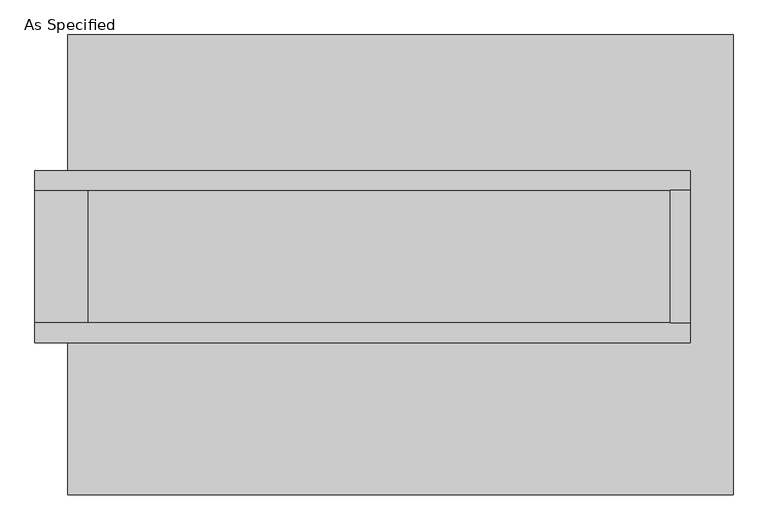
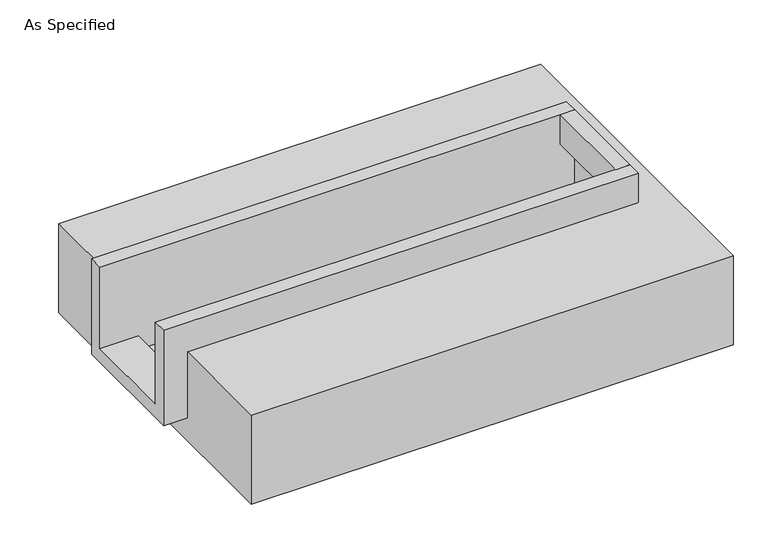
"""IFC4 building model written with IfcOpenShell, lengths in millimetres: proxy geometry, As Specified."""

from ifc_helpers import new_model, si_unit, frame, origin, place, context, project, spatial, polyline, outline, extrude, faceted_brep, source, transform, mapped, element, save


def as_specified_a6aeb598(model_context):
    return source(origin(), model_context, "Body", "SolidModel", [
        extrude(outline(polyline([(1035.05, 285.75), (1111.25, 285.75), (1111.25, -222.25), (1035.05, -222.25), (1035.05, 285.75)])), frame((0.0, 0.0, -25.4), z_axis=(0.0, 0.0, 1.0), x_axis=(1.0, 0.0, 0.0)), (0.0, 0.0, 1.0), 165.1),
        faceted_brep([(1111.25, 285.75, 139.7), (1111.25, 285.75, -317.5), (1111.25, -222.25, -317.5), (1111.25, -222.25, 139.7), (1111.25, -298.45, 139.7), (1111.25, -298.45, -393.7), (1111.25, 361.95, -393.7), (1111.25, 361.95, 139.7), (-1403.35, 285.75, 139.7), (-1403.35, 361.95, 139.7), (-1403.35, 361.95, -393.7), (-1403.35, -298.45, -393.7), (-1403.35, -298.45, 139.7), (-1403.35, -222.25, 139.7), (-1403.35, -222.25, -317.5), (-1403.35, 285.75, -317.5), (-1200.15, 285.75, -393.7), (-1200.15, -222.25, -393.7), (1035.05, -222.25, -393.7), (1035.05, 285.75, -393.7), (1035.05, -222.25, -317.5), (-1200.15, -222.25, -317.5), (1035.05, 285.75, -317.5), (-1200.15, 285.75, -317.5)], [[[0, 1, 2, 3, 4, 5, 6, 7]], [[8, 9, 10, 11, 12, 13, 14, 15]], [[0, 7, 9, 8]], [[7, 6, 10, 9]], [[6, 5, 11, 10], [16, 17, 18, 19]], [[4, 3, 13, 12]], [[3, 2, 20, 18, 17, 21, 14, 13]], [[2, 1, 22, 20]], [[15, 14, 21, 23]], [[1, 0, 8, 15, 23, 16, 19, 22]], [[21, 17, 16, 23]], [[18, 20, 22, 19]], [[5, 4, 12, 11]]]),
        faceted_brep([(-1276.35, 882.65, -523.9742188), (1276.35, 882.65, -523.9742188), (1276.35, -882.65, -523.9742188), (-1276.35, -882.65, -523.9742188), (1276.35, 882.65, -25.4), (-1276.35, 882.65, -25.4), (-1276.35, 361.95, -25.4), (1111.25, 361.95, -25.4), (1111.25, -298.45, -25.4), (-1276.35, -298.45, -25.4), (-1276.35, -882.65, -25.4), (1276.35, -882.65, -25.4), (-1276.35, -298.45, -393.7), (-1276.35, 361.95, -393.7), (1111.25, 361.95, -393.7), (1111.25, -298.45, -393.7)], [[[0, 1, 2, 3]], [[4, 5, 6, 7, 8, 9, 10, 11]], [[1, 0, 5, 4]], [[5, 0, 3, 10, 9, 12, 13, 6]], [[1, 4, 11, 2]], [[3, 2, 11, 10]], [[14, 15, 8, 7]], [[13, 14, 7, 6]], [[15, 14, 13, 12]], [[15, 12, 9, 8]]]),
    ])


if __name__ == "__main__":
    model = new_model("IFC4")
    model_context = context("Model", 3, world=origin())
    ifc_project = project(units=[si_unit("LENGTHUNIT", "METRE", prefix="MILLI")], contexts=[model_context])
    site = spatial("IfcSite", under=ifc_project)
    building = spatial("IfcBuilding", under=site)
    placement = place(None, origin())
    as_specified_shape = as_specified_a6aeb598(model_context)
    element("IfcBuildingElementProxy", 1, Name="As Specified", ObjectType="As Specified", at=placement, inside=building, context=model_context, shape_type="MappedRepresentation", body=[
        mapped(as_specified_shape, transform((0.0, 0.0, 0.0), x_axis=(1.0, 0.0, 0.0), y_axis=(0.0, 1.0, 0.0), z_axis=(0.0, 0.0, 1.0))),
    ])
    save(model, "model.ifc")
